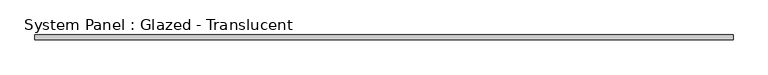
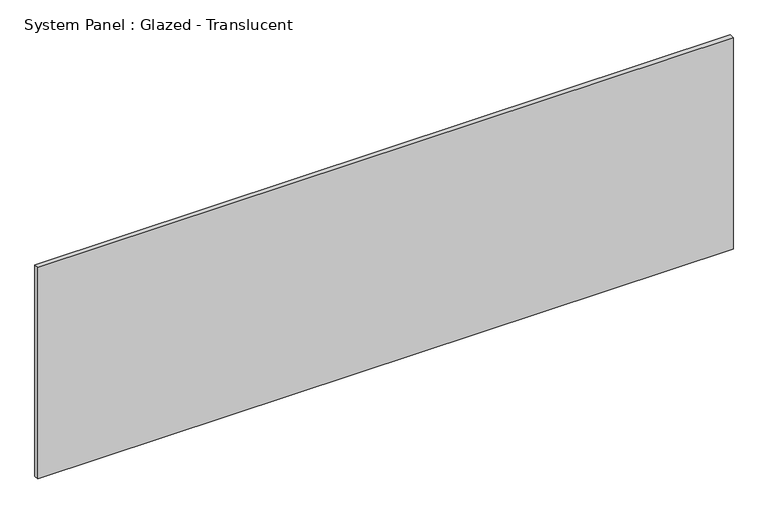
"""IFC4 building model written with IfcOpenShell, lengths in millimetres: plate geometry, System Panel : Glazed - Translucent."""

from ifc_helpers import new_model, si_unit, origin, origin_with_axes, place, context, project, spatial, polyline, outline, extrude, source, transform, mapped, element, save


def system_panel_glazed_translucent_ac77563d(model_context):
    return source(origin(), model_context, "Body", "SweptSolid", [
        extrude(outline(polyline([(1797.05, -44.45), (-1797.05, -44.45), (-1797.05, -19.05), (1797.05, -19.05), (1797.05, -44.45)])), origin_with_axes(), (0.0, 0.0, 1.0), 1155.7),
    ])


if __name__ == "__main__":
    model = new_model("IFC4")
    model_context = context("Model", 3, world=origin())
    ifc_project = project(units=[si_unit("LENGTHUNIT", "METRE", prefix="MILLI")], contexts=[model_context])
    site = spatial("IfcSite", under=ifc_project)
    building = spatial("IfcBuilding", under=site)
    placement = place(None, origin())
    system_panel_glazed_translucent_shape = system_panel_glazed_translucent_ac77563d(model_context)
    element("IfcPlate", 1, ObjectType="System Panel : Glazed - Translucent", at=placement, inside=building, context=model_context, shape_type="MappedRepresentation", body=[
        mapped(system_panel_glazed_translucent_shape, transform((0.0, 0.0, 0.0), x_axis=(1.0, 0.0, 0.0), y_axis=(0.0, 1.0, 0.0), z_axis=(0.0, 0.0, 1.0))),
    ])
    save(model, "model.ifc")
